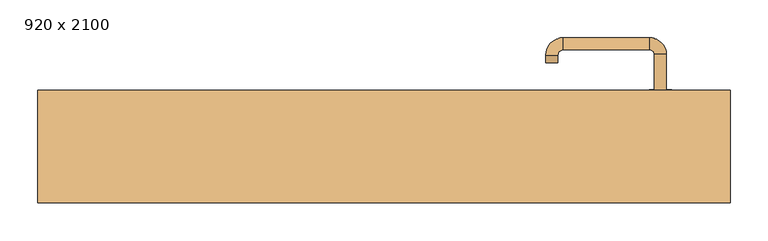
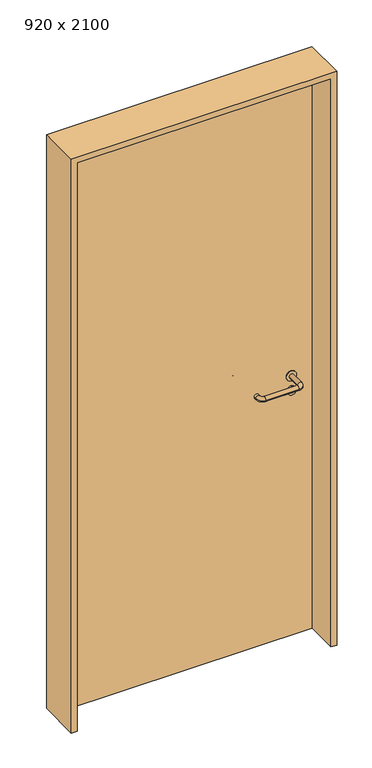
"""IFC4 building model written with IfcOpenShell, lengths in millimetres: door geometry, 920 x 2100."""

from ifc_helpers import new_model, si_unit, point, frame, frame_2d, origin, origin_with_axes, place, context, project, spatial, polyline, circle_curve, ellipse_curve, trimmed, segment, composite_curve, outline, extrude, source, transform, mapped, element, save
from ifc_brep_helpers import plane_surface, cylinder_surface, revolved_surface, advanced_brep


def door_920_x_2100_9d374723(model_context):
    return source(origin(), model_context, "Body", "SolidModel", [
        extrude(outline(composite_curve([segment(trimmed(circle_curve(frame_2d((897.3605726, 367.0)), 15.0), [point((897.3605726, 382.0))], [point((897.3605726, 352.0))], False, "CARTESIAN"), True, "CONTINUOUS"), segment(trimmed(circle_curve(frame_2d((897.3605726, 367.0)), 15.0), [point((897.3605726, 352.0))], [point((897.3605726, 382.0))], False, "CARTESIAN"), True, "CONTINUOUS")], self_intersect=False), holes=[composite_curve([segment(trimmed(circle_curve(frame_2d((892.5833211, 366.9398032)), 2.0), [point((892.5833211, 368.9398032))], [point((892.5833211, 364.9398032))], True, "CARTESIAN"), True, "CONTINUOUS"), segment(polyline([(892.5833211, 364.9398032), (902.5833211, 364.9398032)]), True, "CONTINUOUS"), segment(trimmed(circle_curve(frame_2d((902.5833211, 366.9398032)), 2.0), [point((902.5833211, 364.9398032))], [point((902.5833211, 368.9398032))], True, "CARTESIAN"), True, "CONTINUOUS"), segment(polyline([(902.5833211, 368.9398032), (892.5833211, 368.9398032)]), True, "CONTINUOUS")], self_intersect=False)]), frame((0.0, 33.65, 0.0), z_axis=(0.0, 1.0, 0.0), x_axis=(0.0, 0.0, 1.0)), (0.0, 0.0, 1.0), 6.35),
        extrude(outline(composite_curve([segment(trimmed(circle_curve(frame_2d((950.0, 367.0)), 17.526), [point((950.0, 384.526))], [point((950.0, 349.474))], False, "CARTESIAN"), True, "CONTINUOUS"), segment(trimmed(circle_curve(frame_2d((950.0, 367.0)), 17.526), [point((950.0, 349.474))], [point((950.0, 384.526))], False, "CARTESIAN"), True, "CONTINUOUS")], self_intersect=False)), frame((0.0, 36.825, 0.0), z_axis=(0.0, 1.0, 0.0), x_axis=(0.0, 0.0, 1.0)), (0.0, 0.0, 1.0), 3.175),
        advanced_brep(
        [(375.0, 40.0, 950.0), (359.0, 40.0, 950.0), (359.0, -13.0, 950.0), (375.0, -13.0, 950.0), (352.8578644, -19.1421356, 950.0), (352.8578644, -35.1421356, 950.0), (237.8578644, -19.1421356, 950.0), (237.8578644, -35.1421356, 950.0), (231.008622, -12.2928932, 950.0), (215.008622, -12.2928932, 950.0), (215.008622, -2.2928932, 950.0), (231.008622, -2.2928932, 950.0)],
        [
            (0, 1, circle_curve(frame((367.0, 40.0, 950.0), z_axis=(0.0, 1.0, 0.0), x_axis=(-1.0, 0.0, 0.0)), 8.0)),
            (1, 0, circle_curve(frame((367.0, 40.0, 950.0), z_axis=(0.0, 1.0, 0.0), x_axis=(-1.0, 0.0, 0.0)), 8.0)),
            (1, 2),
            (2, 3, circle_curve(frame((367.0, -13.0, 950.0), z_axis=(0.0, 1.0, 0.0), x_axis=(-1.0, 0.0, 0.0)), 8.0)),
            (3, 0),
            (3, 2, circle_curve(frame((367.0, -13.0, 950.0), z_axis=(0.0, 1.0, 0.0), x_axis=(-1.0, 0.0, 0.0)), 8.0)),
            (4, 5, circle_curve(frame((352.8578644, -27.1421356, 950.0), z_axis=(1.0, 0.0, 0.0), x_axis=(0.0, 1.0, 0.0)), 8.0)),
            (5, 3, circle_curve(frame((352.8578644, -13.0, 950.0), z_axis=(0.0, 0.0, 1.0), x_axis=(1.0, 0.0, 0.0)), 22.1421356)),
            (2, 4, circle_curve(frame((352.8578644, -13.0, 950.0), z_axis=(0.0, 0.0, -1.0), x_axis=(1.0, 0.0, 0.0)), 6.1421356)),
            (5, 4, circle_curve(frame((352.8578644, -27.1421356, 950.0), z_axis=(1.0, 0.0, 0.0), x_axis=(0.0, 1.0, 0.0)), 8.0)),
            (4, 6),
            (6, 7, circle_curve(frame((237.8578644, -27.1421356, 950.0), z_axis=(1.0, 0.0, 0.0), x_axis=(0.0, 1.0, 0.0)), 8.0)),
            (7, 5),
            (7, 6, circle_curve(frame((237.8578644, -27.1421356, 950.0), z_axis=(1.0, 0.0, 0.0), x_axis=(0.0, 1.0, 0.0)), 8.0)),
            (8, 9, circle_curve(frame((223.008622, -12.2928932, 950.0), z_axis=(0.0, -1.0, 0.0), x_axis=(1.0, 0.0, 0.0)), 8.0)),
            (9, 7, circle_curve(frame((237.8578644, -12.2928932, 950.0), z_axis=(0.0, 0.0, 1.0), x_axis=(0.0, -1.0, 0.0)), 22.8492424)),
            (6, 8, circle_curve(frame((237.8578644, -12.2928932, 950.0), z_axis=(0.0, 0.0, -1.0), x_axis=(0.0, -1.0, 0.0)), 6.8492424)),
            (9, 8, circle_curve(frame((223.008622, -12.2928932, 950.0), z_axis=(0.0, -1.0, 0.0), x_axis=(1.0, 0.0, 0.0)), 8.0)),
            (10, 11, circle_curve(frame((223.008622, -2.2928932, 950.0), z_axis=(0.0, 1.0, 0.0), x_axis=(1.0, 0.0, 0.0)), 8.0)),
            (11, 10, circle_curve(frame((223.008622, -2.2928932, 950.0), z_axis=(0.0, 1.0, 0.0), x_axis=(1.0, 0.0, 0.0)), 8.0)),
            (8, 11),
            (10, 9),
        ],
        [
            plane_surface(frame((367.0, 40.0, 0.0), z_axis=(0.0, 1.0, 0.0), x_axis=(0.0, 0.0, 1.0))),
            cylinder_surface(frame((367.0, 40.0, 950.0), z_axis=(0.0, 1.0, 0.0), x_axis=(-1.0, 0.0, 0.0)), 8.0),
            revolved_surface(trimmed(ellipse_curve(frame((367.0, -13.0, 950.0), z_axis=(0.0, -1.0, 0.0), x_axis=(-1.0, 0.0, 0.0)), 8.0, 8.0), [point((375.0, -13.0, 950.0))], [point((359.0, -13.0, 950.0))], True, "CARTESIAN"), (352.8578644, -13.0, 0.0), (0.0, 0.0, 1.0)),
            revolved_surface(trimmed(ellipse_curve(frame((367.0, -13.0, 950.0), z_axis=(0.0, -1.0, 0.0), x_axis=(-1.0, 0.0, 0.0)), 8.0, 8.0), [point((359.0, -13.0, 950.0))], [point((375.0, -13.0, 950.0))], True, "CARTESIAN"), (352.8578644, -13.0, 0.0), (0.0, 0.0, 1.0)),
            cylinder_surface(frame((352.8578644, -27.1421356, 950.0), z_axis=(1.0, 0.0, 0.0), x_axis=(0.0, 1.0, 0.0)), 8.0),
            revolved_surface(trimmed(ellipse_curve(frame((237.8578644, -27.1421356, 950.0), z_axis=(-1.0, 0.0, 0.0), x_axis=(0.0, 1.0, 0.0)), 8.0, 8.0), [point((237.8578644, -35.1421356, 950.0))], [point((237.8578644, -19.1421356, 950.0))], True, "CARTESIAN"), (237.8578644, -12.2928932, 0.0), (0.0, 0.0, 1.0)),
            revolved_surface(trimmed(ellipse_curve(frame((237.8578644, -27.1421356, 950.0), z_axis=(-1.0, 0.0, 0.0), x_axis=(0.0, 1.0, 0.0)), 8.0, 8.0), [point((237.8578644, -19.1421356, 950.0))], [point((237.8578644, -35.1421356, 950.0))], True, "CARTESIAN"), (237.8578644, -12.2928932, 0.0), (0.0, 0.0, 1.0)),
            plane_surface(frame((223.008622, -2.2928932, 0.0), z_axis=(0.0, 1.0, 0.0), x_axis=(0.0, 0.0, 1.0))),
            cylinder_surface(frame((223.008622, -12.2928932, 950.0), z_axis=(0.0, -1.0, 0.0), x_axis=(1.0, 0.0, 0.0)), 8.0),
        ],
        [
            (0, [[1, 2]]),
            (1, [[3, 4, 5, -2]]),
            (1, [[-5, 6, -3, -1]]),
            (2, [[7, 8, -4, 9]]),
            (3, [[10, -9, -6, -8]]),
            (4, [[11, 12, 13, -7]]),
            (4, [[-13, 14, -11, -10]]),
            (5, [[15, 16, -12, 17]]),
            (6, [[18, -17, -14, -16]]),
            (7, [[19, 20]]),
            (8, [[21, -19, 22, -15]]),
            (8, [[-22, -20, -21, -18]]),
        ],
    ),
        extrude(outline(composite_curve([segment(trimmed(circle_curve(frame_2d((0.0, -15.0)), 15.0), [point((0.0, -30.0))], [point((0.0, 0.0))], False, "CARTESIAN"), True, "CONTINUOUS"), segment(trimmed(circle_curve(frame_2d((0.0, -15.0)), 15.0), [point((0.0, 0.0))], [point((0.0, -30.0))], False, "CARTESIAN"), True, "CONTINUOUS")], self_intersect=False), holes=[composite_curve([segment(trimmed(circle_curve(frame_2d((4.7772515, -14.9398032)), 2.0), [point((4.7772515, -16.9398032))], [point((4.7772515, -12.9398032))], True, "CARTESIAN"), True, "CONTINUOUS"), segment(polyline([(4.7772515, -12.9398032), (-5.2227485, -12.9398032)]), True, "CONTINUOUS"), segment(trimmed(circle_curve(frame_2d((-5.2227485, -14.9398032)), 2.0), [point((-5.2227485, -12.9398032))], [point((-5.2227485, -16.9398032))], True, "CARTESIAN"), True, "CONTINUOUS"), segment(polyline([(-5.2227485, -16.9398032), (4.7772515, -16.9398032)]), True, "CONTINUOUS")], self_intersect=False)]), frame((352.0, 70.0, 897.3605726), z_axis=(1.8870575173328306e-12, 1.0, 0.0), x_axis=(0.0, 0.0, -1.0)), (0.0, 0.0, 1.0), 6.35),
        extrude(outline(composite_curve([segment(trimmed(circle_curve(frame_2d((0.0, -17.526)), 17.526), [point((0.0, -35.052))], [point((0.0, 0.0))], False, "CARTESIAN"), True, "CONTINUOUS"), segment(trimmed(circle_curve(frame_2d((0.0, -17.526)), 17.526), [point((0.0, 0.0))], [point((0.0, -35.052))], False, "CARTESIAN"), True, "CONTINUOUS")], self_intersect=False)), frame((349.474, 70.0, 950.0), z_axis=(1.8870575173328306e-12, 1.0, 0.0), x_axis=(0.0, 0.0, -1.0)), (0.0, 0.0, 1.0), 3.175),
        advanced_brep(
        [(375.0, 70.0, 950.0), (359.0, 70.0, 950.0), (375.0, 123.0, 950.0), (359.0, 123.0, 950.0), (352.8578644, 129.1421356, 950.0), (352.8578644, 145.1421356, 950.0), (237.8578644, 145.1421356, 950.0), (237.8578644, 129.1421356, 950.0), (231.008622, 122.2928932, 950.0), (215.008622, 122.2928932, 950.0), (215.008622, 112.2928932, 950.0), (231.008622, 112.2928932, 950.0)],
        [
            (0, 1, circle_curve(frame((367.0, 70.0, 950.0), z_axis=(-1.888672253512351e-12, -1.0, 0.0), x_axis=(-1.0, 1.888672253512351e-12, 0.0)), 8.0)),
            (1, 0, circle_curve(frame((367.0, 70.0, 950.0), z_axis=(-1.888672253512351e-12, -1.0, 0.0), x_axis=(-1.0, 1.888672253512351e-12, 0.0)), 8.0)),
            (0, 2),
            (2, 3, circle_curve(frame((367.0, 123.0, 950.0), z_axis=(-1.888672253512351e-12, -1.0, 0.0), x_axis=(-1.0, 1.888672253512351e-12, 0.0)), 8.0)),
            (3, 1),
            (3, 2, circle_curve(frame((367.0, 123.0, 950.0), z_axis=(-1.888672253512351e-12, -1.0, 0.0), x_axis=(-1.0, 1.888672253512351e-12, 0.0)), 8.0)),
            (4, 3, circle_curve(frame((352.8578644, 123.0, 950.0), z_axis=(0.0, 0.0, -1.0), x_axis=(1.0, -1.880717803715015e-12, 0.0)), 6.1421356)),
            (2, 5, circle_curve(frame((352.8578644, 123.0, 950.0), z_axis=(0.0, 0.0, 1.0), x_axis=(1.0, -1.880717803715015e-12, 0.0)), 22.1421356)),
            (5, 4, circle_curve(frame((352.8578644, 137.1421356, 950.0), z_axis=(1.0, -1.913702061528922e-12, 0.0), x_axis=(-1.913702061528922e-12, -1.0, 0.0)), 8.0)),
            (4, 5, circle_curve(frame((352.8578644, 137.1421356, 950.0), z_axis=(1.0, -1.913702061528922e-12, 0.0), x_axis=(-1.913702061528922e-12, -1.0, 0.0)), 8.0)),
            (5, 6),
            (6, 7, circle_curve(frame((237.8578644, 137.1421356, 950.0), z_axis=(1.0, -1.913719828541269e-12, 0.0), x_axis=(-1.913719828541269e-12, -1.0, 0.0)), 8.0)),
            (7, 4),
            (7, 6, circle_curve(frame((237.8578644, 137.1421356, 950.0), z_axis=(1.0, -1.913719828541269e-12, 0.0), x_axis=(-1.913719828541269e-12, -1.0, 0.0)), 8.0)),
            (8, 7, circle_curve(frame((237.8578644, 122.2928932, 950.0), z_axis=(0.0, 0.0, -1.0), x_axis=(1.9120873253494017e-12, 1.0, 0.0)), 6.8492424)),
            (6, 9, circle_curve(frame((237.8578644, 122.2928932, 950.0), z_axis=(0.0, 0.0, 1.0), x_axis=(1.9120873253494017e-12, 1.0, 0.0)), 22.8492424)),
            (9, 8, circle_curve(frame((223.008622, 122.2928932, 950.0), z_axis=(1.890448610351751e-12, 1.0, 0.0), x_axis=(1.0, -1.890448610351751e-12, 0.0)), 8.0)),
            (8, 9, circle_curve(frame((223.008622, 122.2928932, 950.0), z_axis=(1.8888942981172756e-12, 1.0, 0.0), x_axis=(1.0, -1.8888942981172756e-12, 0.0)), 8.0)),
            (10, 11, circle_curve(frame((223.008622, 112.2928932, 950.0), z_axis=(-1.8903642334018795e-12, -1.0, 0.0), x_axis=(1.0, -1.8903642334018795e-12, 0.0)), 8.0)),
            (11, 10, circle_curve(frame((223.008622, 112.2928932, 950.0), z_axis=(-1.8903642334018795e-12, -1.0, 0.0), x_axis=(1.0, -1.8903642334018795e-12, 0.0)), 8.0)),
            (9, 10),
            (11, 8),
        ],
        [
            plane_surface(frame((367.0, 70.0, 0.0), z_axis=(-1.8870575173328306e-12, -1.0, 0.0), x_axis=(0.0, 0.0, 1.0))),
            cylinder_surface(frame((367.0, 70.0, 950.0), z_axis=(-1.888672253512351e-12, -1.0, 0.0), x_axis=(-1.0, 1.888672253512351e-12, 0.0)), 8.0),
            revolved_surface(trimmed(ellipse_curve(frame((367.0, 123.0, 950.0), z_axis=(-1.8823325398945356e-12, -1.0, 0.0), x_axis=(-1.0, 1.8823325398945356e-12, 0.0)), 8.0, 8.0), [point((375.0, 123.0, 950.0))], [point((359.0, 123.0, 950.0))], True, "CARTESIAN"), (352.8578644, 123.0, 0.0), (0.0, 0.0, 1.0)),
            revolved_surface(trimmed(ellipse_curve(frame((367.0, 123.0, 950.0), z_axis=(-1.8823325398945356e-12, -1.0, 0.0), x_axis=(-1.0, 1.8823325398945356e-12, 0.0)), 8.0, 8.0), [point((359.0, 123.0, 950.0))], [point((375.0, 123.0, 950.0))], True, "CARTESIAN"), (352.8578644, 123.0, 0.0), (0.0, 0.0, 1.0)),
            cylinder_surface(frame((352.8578644, 137.1421356, 950.0), z_axis=(1.0, -1.913719828541269e-12, 0.0), x_axis=(-1.913719828541269e-12, -1.0, 0.0)), 8.0),
            revolved_surface(trimmed(ellipse_curve(frame((237.8578644, 137.1421356, 950.0), z_axis=(1.0, -1.913702061528922e-12, 0.0), x_axis=(-1.913702061528922e-12, -1.0, 0.0)), 8.0, 8.0), [point((237.8578644, 145.1421356, 950.0))], [point((237.8578644, 129.1421356, 950.0))], True, "CARTESIAN"), (237.8578644, 122.2928932, 0.0), (0.0, 0.0, 1.0)),
            revolved_surface(trimmed(ellipse_curve(frame((237.8578644, 137.1421356, 950.0), z_axis=(1.0, -1.913702061528922e-12, 0.0), x_axis=(-1.913702061528922e-12, -1.0, 0.0)), 8.0, 8.0), [point((237.8578644, 129.1421356, 950.0))], [point((237.8578644, 145.1421356, 950.0))], True, "CARTESIAN"), (237.8578644, 122.2928932, 0.0), (0.0, 0.0, 1.0)),
            plane_surface(frame((223.008622, 112.2928932, 0.0), z_axis=(-1.8887494972223595e-12, -1.0, 0.0), x_axis=(0.0, 0.0, 1.0))),
            cylinder_surface(frame((223.008622, 122.2928932, 950.0), z_axis=(1.8903642334018795e-12, 1.0, 0.0), x_axis=(1.0, -1.8903642334018795e-12, 0.0)), 8.0),
        ],
        [
            (0, [[1, 2]]),
            (1, [[-1, 3, 4, 5]]),
            (1, [[-2, -5, 6, -3]]),
            (2, [[7, -4, 8, 9]]),
            (3, [[-8, -6, -7, 10]]),
            (4, [[-9, 11, 12, 13]]),
            (4, [[-10, -13, 14, -11]]),
            (5, [[15, -12, 16, 17]]),
            (6, [[-16, -14, -15, 18]]),
            (7, [[19, 20]]),
            (8, [[-17, 21, -20, 22]]),
            (8, [[-18, -22, -19, -21]]),
        ],
    ),
        extrude(outline(polyline([(2080.0, 440.0), (0.0, 440.0), (0.0, 460.0), (2100.0, 460.0), (2100.0, -460.0), (0.0, -460.0), (0.0, -440.0), (2080.0, -440.0), (2080.0, 440.0)])), frame((0.0, -74.0, 0.0), z_axis=(0.0, 1.0, 0.0), x_axis=(0.0, 0.0, 1.0)), (0.0, 0.0, 1.0), 149.0),
        extrude(outline(polyline([(-440.0, 70.0), (440.0, 70.0), (440.0, 40.0), (-440.0, 40.0), (-440.0, 70.0)])), origin_with_axes(), (0.0, 0.0, 1.0), 2080.0),
    ])


if __name__ == "__main__":
    model = new_model("IFC4")
    model_context = context("Model", 3, world=origin())
    ifc_project = project(units=[si_unit("LENGTHUNIT", "METRE", prefix="MILLI")], contexts=[model_context])
    site = spatial("IfcSite", under=ifc_project)
    building = spatial("IfcBuilding", under=site)
    placement = place(None, origin())
    door_920_x_2100_shape = door_920_x_2100_9d374723(model_context)
    element("IfcDoor", 1, ObjectType="920 x 2100", at=placement, inside=building, context=model_context, shape_type="MappedRepresentation", body=[
        mapped(door_920_x_2100_shape, transform((0.0, 0.0, 0.0), x_axis=(1.0, 0.0, 0.0), y_axis=(0.0, 1.0, 0.0), z_axis=(0.0, 0.0, 1.0))),
    ])
    save(model, "model.ifc")
